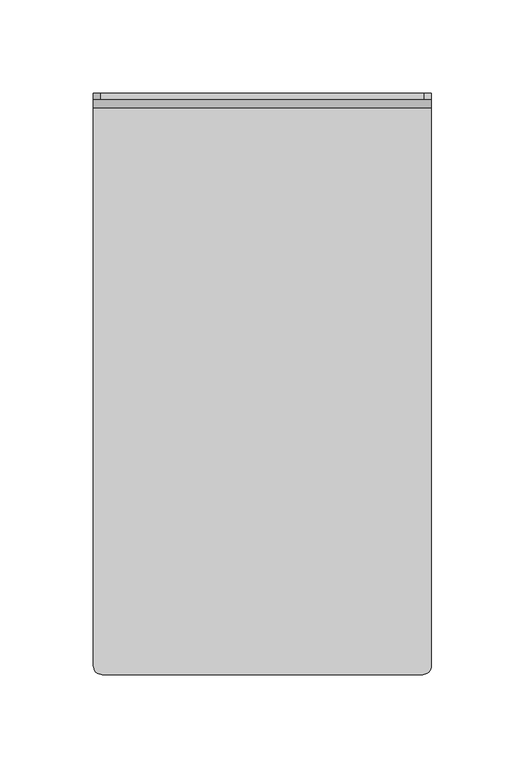
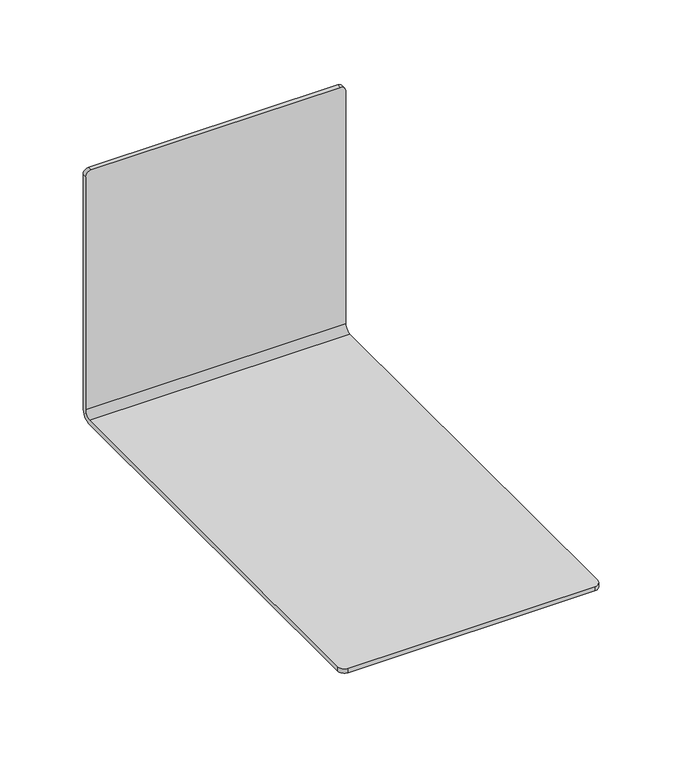
"""IFC4 building model written with IfcOpenShell, lengths in millimetres: furniture geometry."""

from ifc_helpers import new_model, si_unit, frame, origin, origin_with_axes, place, context, project, spatial, polyline, circle_curve, outline, extrude, source, transform, mapped, element, save
from ifc_brep_helpers import plane_surface, cylinder_surface, revolved_surface, advanced_brep


def furniture_3e9d333c(model_context):
    return source(origin(), model_context, "Body", "SolidModel", [
        extrude(outline(polyline([(57.9998834, 142.5749941), (57.9998834, 40.0752913), (-57.9998834, 40.0752913), (-57.9998834, 142.5749941), (57.9998834, 142.5749941)])), origin_with_axes(), (0.0, 0.0, 1.0), 7.4999845),
        advanced_brep(
        [(90.4875, 147.6375, 7.4999845), (90.4875, 155.575, 15.4374845), (90.4875, 155.575, 186.53125), (90.4875, 152.4, 186.53125), (90.4875, 152.4, 15.4374845), (90.4875, 147.6375, 10.6749845), (90.4875, -150.8125, 10.6749845), (90.4875, -150.8125, 7.4999845), (-90.4875, -150.8125, 7.4999845), (-90.4875, -150.8125, 10.6749845), (-90.4875, 147.6375, 10.6749845), (-90.4875, 152.4, 15.4374845), (-90.4875, 152.4, 186.4884611), (-90.4875, 155.575, 186.4884611), (-90.4875, 155.575, 15.4374845), (-90.4875, 147.6375, 7.4999845), (85.725, -155.575, 7.4999845), (-85.725, -155.575, 7.4999845), (-85.725, -155.575, 10.6749845), (85.725, -155.575, 10.6749845), (86.51875, 152.4, 190.5), (-86.4759611, 152.4, 190.5), (-86.4759611, 155.575, 190.5), (86.51875, 155.575, 190.5)],
        [
            (0, 1, circle_curve(frame((90.4875, 147.6375, 15.4374845), z_axis=(1.0, 0.0, 0.0), x_axis=(0.0, -1.0, 0.0)), 7.9375)),
            (1, 2),
            (2, 3),
            (3, 4),
            (4, 5, circle_curve(frame((90.4875, 147.6375, 15.4374845), z_axis=(-1.0, 0.0, 0.0), x_axis=(0.0, -1.0, 0.0)), 4.7625)),
            (5, 6),
            (6, 7),
            (7, 0),
            (8, 9),
            (9, 10),
            (10, 11, circle_curve(frame((-90.4875, 147.6375, 15.4374845), z_axis=(1.0, 0.0, 0.0), x_axis=(0.0, -1.0, 0.0)), 4.7625)),
            (11, 12),
            (12, 13),
            (13, 14),
            (14, 15, circle_curve(frame((-90.4875, 147.6375, 15.4374845), z_axis=(-1.0, 0.0, 0.0), x_axis=(0.0, -1.0, 0.0)), 7.9375)),
            (15, 8),
            (7, 16, circle_curve(frame((85.725, -150.8125, 7.4999845), z_axis=(0.0, 0.0, -1.0), x_axis=(1.0, 0.0, 0.0)), 4.7625)),
            (16, 17),
            (17, 8, circle_curve(frame((-85.725, -150.8125, 7.4999845), z_axis=(0.0, 0.0, -1.0), x_axis=(1.0, 0.0, 0.0)), 4.7625)),
            (15, 0),
            (5, 10),
            (9, 18, circle_curve(frame((-85.725, -150.8125, 10.6749845), z_axis=(0.0, 0.0, 1.0), x_axis=(1.0, 0.0, 0.0)), 4.7625)),
            (18, 19),
            (19, 6, circle_curve(frame((85.725, -150.8125, 10.6749845), z_axis=(0.0, 0.0, 1.0), x_axis=(1.0, 0.0, 0.0)), 4.7625)),
            (4, 11),
            (3, 20, circle_curve(frame((86.51875, 152.4, 186.53125), z_axis=(0.0, -1.0, 0.0), x_axis=(1.0, 0.0, 0.0)), 3.96875)),
            (20, 21),
            (21, 12, circle_curve(frame((-86.4759611, 152.4, 186.4884611), z_axis=(0.0, -1.0, 0.0), x_axis=(1.0, 0.0, 0.0)), 4.0115389)),
            (1, 14),
            (13, 22, circle_curve(frame((-86.4759611, 155.575, 186.4884611), z_axis=(0.0, 1.0, 0.0), x_axis=(1.0, 0.0, 0.0)), 4.0115389)),
            (22, 23),
            (23, 2, circle_curve(frame((86.51875, 155.575, 186.53125), z_axis=(0.0, 1.0, 0.0), x_axis=(1.0, 0.0, 0.0)), 3.96875)),
            (22, 21),
            (20, 23),
            (18, 17),
            (16, 19),
        ],
        [
            plane_surface(frame((90.4875, 139.7, 15.4374845), z_axis=(1.0, 0.0, 0.0), x_axis=(0.0, 0.0, -1.0))),
            plane_surface(frame((-90.4875, 139.7, 15.4374845), z_axis=(-1.0, 0.0, 0.0), x_axis=(0.0, 0.0, 1.0))),
            plane_surface(frame((90.4875, -147.4799115, 7.4999845), z_axis=(0.0, 0.0, -1.0), x_axis=(-1.0, 0.0, 0.0))),
            plane_surface(frame((90.4875, 147.6375, 10.6749845), z_axis=(0.0, 0.0, 1.0), x_axis=(-1.0, 0.0, 0.0))),
            revolved_surface(polyline([(-90.4875, 142.875, 15.4374845), (90.4875, 142.875, 15.4374845)]), (-90.4875, 147.6375, 15.4374845), (-1.0, 0.0, 0.0)),
            plane_surface(frame((90.4875, 152.4, 169.3020996), z_axis=(0.0, -1.0, 0.0), x_axis=(-1.0, 0.0, 0.0))),
            plane_surface(frame((90.4875, 155.575, 15.4374845), z_axis=(0.0, 1.0, 0.0), x_axis=(-1.0, 0.0, 0.0))),
            cylinder_surface(frame((-90.4875, 147.6375, 15.4374845), z_axis=(1.0, 0.0, 0.0), x_axis=(0.0, -1.0, 0.0)), 7.9375),
            plane_surface(frame((-86.4759611, 155.575, 190.5), z_axis=(0.0, 0.0, 1.0), x_axis=(0.0, -1.0, 0.0))),
            cylinder_surface(frame((-86.4759611, 152.4, 186.4884611), z_axis=(0.0, 1.0, 0.0), x_axis=(1.0, 0.0, 0.0)), 4.0115389),
            cylinder_surface(frame((86.51875, 152.4, 186.53125), z_axis=(0.0, 1.0, 0.0), x_axis=(1.0, 0.0, 0.0)), 3.96875),
            plane_surface(frame((-85.725, -155.575, 10.6749845), z_axis=(0.0, -1.0, 0.0), x_axis=(0.0, 0.0, -1.0))),
            cylinder_surface(frame((-85.725, -150.8125, 7.4999845), z_axis=(0.0, 0.0, 1.0), x_axis=(1.0, 0.0, 0.0)), 4.7625),
            cylinder_surface(frame((85.725, -150.8125, 7.4999845), z_axis=(0.0, 0.0, 1.0), x_axis=(1.0, 0.0, 0.0)), 4.7625),
        ],
        [
            (0, [[1, 2, 3, 4, 5, 6, 7, 8]]),
            (1, [[9, 10, 11, 12, 13, 14, 15, 16]]),
            (2, [[-8, 17, 18, 19, -16, 20]]),
            (3, [[-6, 21, -10, 22, 23, 24]]),
            (4, [[-5, 25, -11, -21]]),
            (5, [[-25, -4, 26, 27, 28, -12]]),
            (6, [[29, -14, 30, 31, 32, -2]]),
            (7, [[-1, -20, -15, -29]]),
            (8, [[-31, 33, -27, 34]]),
            (9, [[-30, -13, -28, -33]]),
            (10, [[-32, -34, -26, -3]]),
            (11, [[-23, 35, -18, 36]]),
            (12, [[-22, -9, -19, -35]]),
            (13, [[-24, -36, -17, -7]]),
        ],
    ),
    ])


if __name__ == "__main__":
    model = new_model("IFC4")
    model_context = context("Model", 3, world=origin())
    ifc_project = project(units=[si_unit("LENGTHUNIT", "METRE", prefix="MILLI")], contexts=[model_context])
    site = spatial("IfcSite", under=ifc_project)
    building = spatial("IfcBuilding", under=site)
    placement = place(None, origin())
    furniture_shape = furniture_3e9d333c(model_context)
    element("IfcFurniture", 1, at=placement, inside=building, context=model_context, shape_type="MappedRepresentation", body=[
        mapped(furniture_shape, transform((0.0, 0.0, 0.0), x_axis=(1.0, 0.0, 0.0), y_axis=(0.0, 1.0, 0.0), z_axis=(0.0, 0.0, 1.0))),
    ])
    save(model, "model.ifc")
